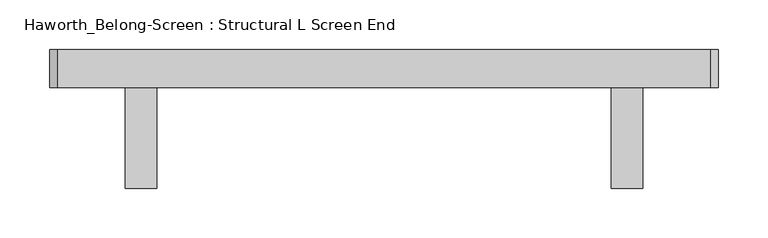
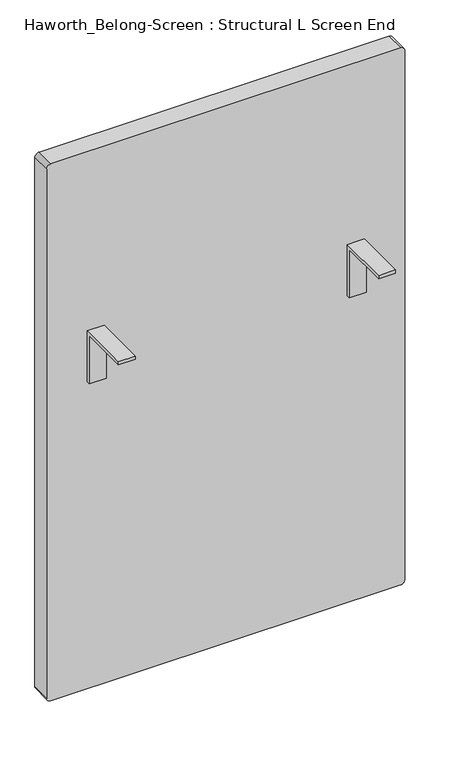
"""IFC4 building model written with IfcOpenShell, lengths in millimetres: furniture geometry, Haworth_Belong-Screen : Structural L Screen End."""

from ifc_helpers import new_model, si_unit, point, frame, frame_2d, origin, place, context, project, spatial, polyline, circle_curve, trimmed, segment, composite_curve, outline, extrude, source, transform, mapped, element, save


def haworth_belong_screen_structural_l_screen_end_6d134f0f(model_context):
    return source(origin(), model_context, "Body", "SweptSolid", [
        extrude(outline(polyline([(-19.05, 731.8375), (-19.05, 630.2375), (-25.4, 630.2375), (-25.4, 725.4875), (-120.65, 725.4875), (-120.65, 731.8375), (-19.05, 731.8375)])), frame((-293.0145436, 0.0, 0.0), z_axis=(1.0, 0.0, 0.0), x_axis=(0.0, 1.0, 0.0)), (0.0, 0.0, 1.0), 31.75),
        extrude(outline(polyline([(-19.05, 731.8375), (-19.05, 630.2375), (-25.4, 630.2375), (-25.4, 725.4875), (-120.65, 725.4875), (-120.65, 731.8375), (-19.05, 731.8375)])), frame((195.9354564, 0.0, 0.0), z_axis=(1.0, 0.0, 0.0), x_axis=(0.0, 1.0, 0.0)), (0.0, 0.0, 1.0), 31.75),
        extrude(outline(composite_curve([segment(polyline([(1087.4375, 295.9479564), (1087.4375, -361.2770436)]), True, "CONTINUOUS"), segment(trimmed(circle_curve(frame_2d((1079.5, -361.2770436)), 7.9375), [point((1087.4375, -361.2770436))], [point((1079.5, -369.2145436))], False, "CARTESIAN"), True, "CONTINUOUS"), segment(polyline([(1079.5, -369.2145436), (28.575, -369.2145436)]), True, "CONTINUOUS"), segment(trimmed(circle_curve(frame_2d((28.575, -361.2770436)), 7.9375), [point((28.575, -369.2145436))], [point((20.6375, -361.2770436))], False, "CARTESIAN"), True, "CONTINUOUS"), segment(polyline([(20.6375, -361.2770436), (20.6375, 295.9479564)]), True, "CONTINUOUS"), segment(trimmed(circle_curve(frame_2d((28.575, 295.9479564)), 7.9375), [point((20.6375, 295.9479564))], [point((28.575, 303.8854564))], False, "CARTESIAN"), True, "CONTINUOUS"), segment(polyline([(28.575, 303.8854564), (1079.5, 303.8854564)]), True, "CONTINUOUS"), segment(trimmed(circle_curve(frame_2d((1079.5, 295.9479564)), 7.9375), [point((1079.5, 303.8854564))], [point((1087.4375, 295.9479564))], False, "CARTESIAN"), True, "CONTINUOUS")], self_intersect=False)), frame((0.0, -19.05, 0.0), z_axis=(0.0, 1.0, 0.0), x_axis=(0.0, 0.0, 1.0)), (0.0, 0.0, 1.0), 38.1),
    ])


if __name__ == "__main__":
    model = new_model("IFC4")
    model_context = context("Model", 3, world=origin())
    ifc_project = project(units=[si_unit("LENGTHUNIT", "METRE", prefix="MILLI")], contexts=[model_context])
    site = spatial("IfcSite", under=ifc_project)
    building = spatial("IfcBuilding", under=site)
    placement = place(None, origin())
    haworth_belong_screen_structural_l_screen_end_shape = haworth_belong_screen_structural_l_screen_end_6d134f0f(model_context)
    element("IfcFurniture", 1, ObjectType="Haworth_Belong-Screen : Structural L Screen End", at=placement, inside=building, context=model_context, shape_type="MappedRepresentation", body=[
        mapped(haworth_belong_screen_structural_l_screen_end_shape, transform((0.0, 0.0, 0.0), x_axis=(1.0, 0.0, 0.0), y_axis=(0.0, 1.0, 0.0), z_axis=(0.0, 0.0, 1.0))),
    ])
    save(model, "model.ifc")
